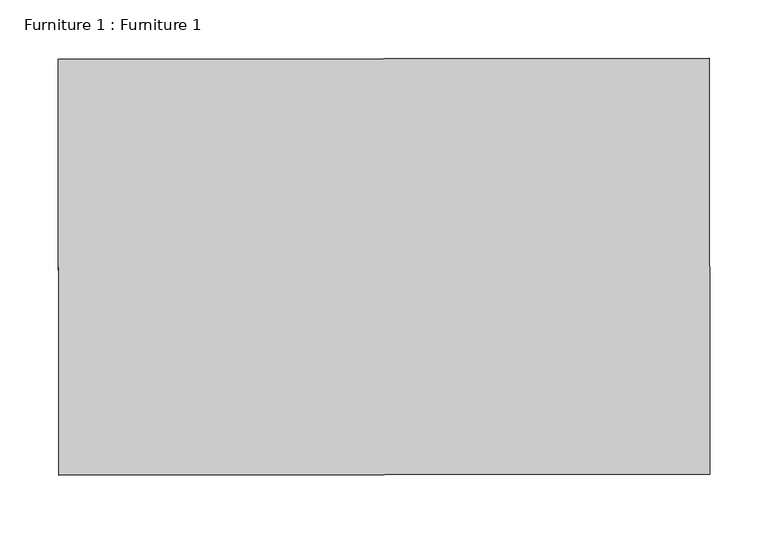
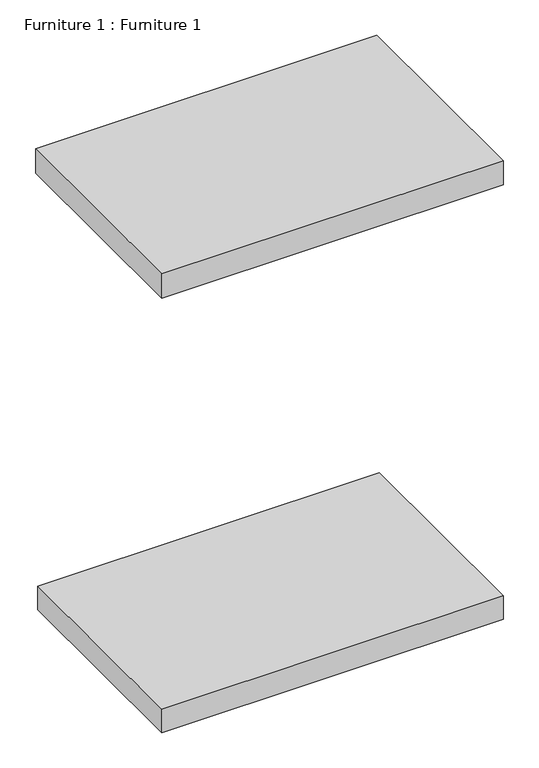
"""IFC4 building model written with IfcOpenShell, lengths in millimetres: furniture geometry, Furniture 1 : Furniture 1."""

from ifc_helpers import new_model, si_unit, frame, origin, place, context, project, spatial, polyline, outline, extrude, source, transform, mapped, element, save


def furniture_1_furniture_1_a44f6f63(model_context):
    return source(origin(), model_context, "Body", "SweptSolid", [
        extrude(outline(polyline([(-42482.7855427, 46762.3619468), (-41923.9912638, 46763.1872509), (-41923.4639298, 46406.1416235), (-42482.2582087, 46405.3163194), (-42482.7855427, 46762.3619468)])), frame((0.0, 0.0, 110315.1862888), z_axis=(0.0, 0.0, 1.0), x_axis=(1.0, 0.0, 0.0)), (0.0, 0.0, 1.0), 42.1679488),
        extrude(outline(polyline([(-42482.7767148, 46756.3848054), (-41923.9824359, 46757.2101095), (-41923.4639298, 46406.1416235), (-42482.2582087, 46405.3163194), (-42482.7767148, 46756.3848054)])), frame((0.0, 0.0, 109564.2189984), z_axis=(0.0, 0.0, 1.0), x_axis=(1.0, 0.0, 0.0)), (0.0, 0.0, 1.0), 40.718248),
    ])


if __name__ == "__main__":
    model = new_model("IFC4")
    model_context = context("Model", 3, world=origin())
    ifc_project = project(units=[si_unit("LENGTHUNIT", "METRE", prefix="MILLI")], contexts=[model_context])
    site = spatial("IfcSite", under=ifc_project)
    building = spatial("IfcBuilding", under=site)
    placement = place(None, origin())
    furniture_1_furniture_1_shape = furniture_1_furniture_1_a44f6f63(model_context)
    element("IfcFurniture", 1, ObjectType="Furniture 1 : Furniture 1", at=placement, inside=building, context=model_context, shape_type="MappedRepresentation", body=[
        mapped(furniture_1_furniture_1_shape, transform((0.0, 0.0, 0.0), x_axis=(1.0, 0.0, 0.0), y_axis=(0.0, 1.0, 0.0), z_axis=(0.0, 0.0, 1.0))),
    ])
    save(model, "model.ifc")
